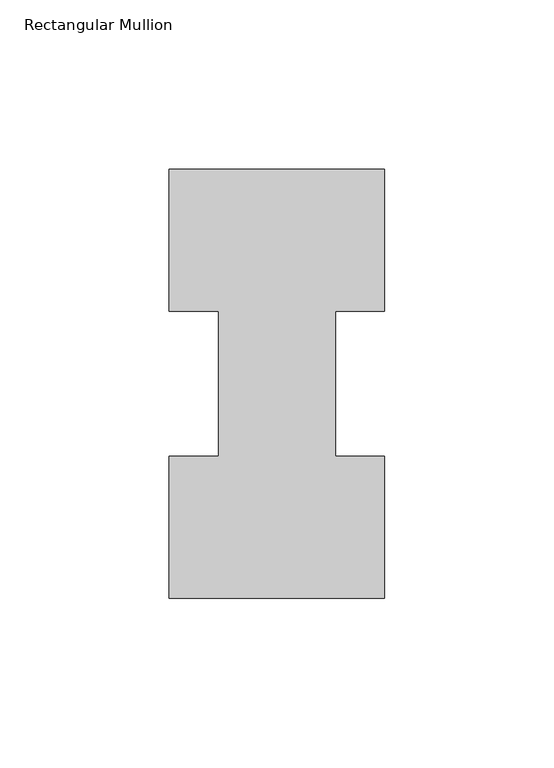
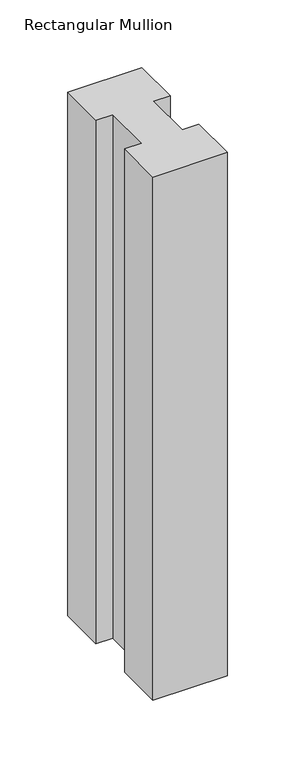
"""IFC4 building model written with IfcOpenShell, lengths in millimetres: member geometry, Rectangular Mullion."""

from ifc_helpers import new_model, si_unit, frame, origin, place, context, project, spatial, polyline, outline, extrude, source, transform, mapped, element, save


def rectangular_mullion_8af22032(model_context):
    return source(origin(), model_context, "Body", "SweptSolid", [
        extrude(outline(polyline([(-63.5, 0.26035), (-63.5, 42.0829753), (-49.0000192, 42.0829753), (-49.0000192, 84.93125), (-63.5, 84.93125), (-63.5, 126.75235), (0.0, 126.75235), (0.0, 84.93125), (-14.4999808, 84.93125), (-14.4999808, 42.1178757), (0.0, 42.1178757), (0.0, 0.26035), (-63.5, 0.26035)])), frame((0.0, 0.0, -473.075), z_axis=(0.0, 0.0, 1.0), x_axis=(1.0, 0.0, 0.0)), (0.0, 0.0, 1.0), 473.075),
    ])


if __name__ == "__main__":
    model = new_model("IFC4")
    model_context = context("Model", 3, world=origin())
    ifc_project = project(units=[si_unit("LENGTHUNIT", "METRE", prefix="MILLI")], contexts=[model_context])
    site = spatial("IfcSite", under=ifc_project)
    building = spatial("IfcBuilding", under=site)
    placement = place(None, origin())
    rectangular_mullion_shape = rectangular_mullion_8af22032(model_context)
    element("IfcMember", 1, ObjectType="Rectangular Mullion", at=placement, inside=building, context=model_context, shape_type="MappedRepresentation", body=[
        mapped(rectangular_mullion_shape, transform((0.0, 0.0, 0.0), x_axis=(1.0, 0.0, 0.0), y_axis=(0.0, 1.0, 0.0), z_axis=(0.0, 0.0, 1.0))),
    ])
    save(model, "model.ifc")
